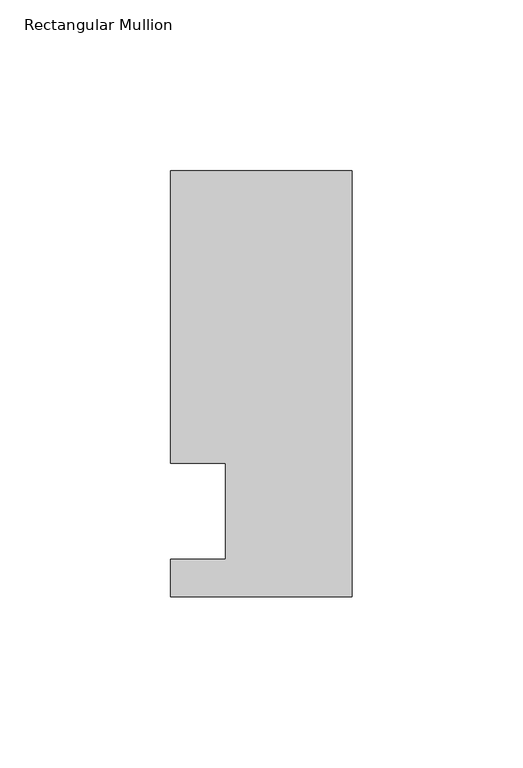
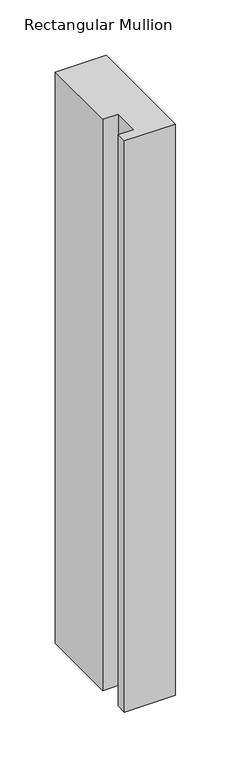
"""IFC4 building model written with IfcOpenShell, lengths in millimetres: member geometry, Rectangular Mullion."""

import ifcopenshell
import ifcopenshell.guid

model = None  # the IFC model being written
_history = None  # IfcOwnerHistory: only IFC2X3 demands one
_inside = {}  # id of a spatial element -> (the spatial element, [elements in it])
_under = {}  # id of a project, library or spatial element -> (it, [spatial elements below it])
_declared = {}  # id of a project -> (the project, [libraries it declares])
_typed = {}  # id of a type object -> (the type object, [elements of that type])
_made_of = {}  # id of a material, layer set ... -> (it, [elements and type objects made of it])


def new_model(schema):
    """Start an empty IFC model of exactly this schema.

    Asked for "IFC4X3", IfcOpenShell would pick the latest addendum, in which some entities
    have other attributes; the version numbers below select the first issue.
    IFC2X3 requires an IfcOwnerHistory on every rooted entity: one is made here for all.
    """
    global model, _history
    if schema == "IFC4X3":
        model = ifcopenshell.file(schema_version=(4, 3, 0, 0))
    else:
        model = ifcopenshell.file(schema=schema)
    _inside.clear()
    _under.clear()
    _declared.clear()
    _typed.clear()
    _made_of.clear()
    _history = None
    if model.schema == "IFC2X3":
        org = make("IfcOrganization", Name="unknown")
        user = make(
            "IfcPersonAndOrganization",
            ThePerson=make("IfcPerson", FamilyName="unknown"),
            TheOrganization=org,
        )
        app = make(
            "IfcApplication",
            ApplicationDeveloper=org,
            Version="unknown",
            ApplicationFullName="unknown",
            ApplicationIdentifier="unknown",
        )
        _history = make(
            "IfcOwnerHistory",
            OwningUser=user,
            OwningApplication=app,
            ChangeAction="ADDED",
            CreationDate=0,
        )
    return model


def make(cls, **values):
    """One entity of the class cls with the attributes given. An attribute that is None is left unset."""
    return model.create_entity(
        cls, **{name: value for name, value in values.items() if value is not None}
    )


def rooted(cls, **values):
    """An entity with a GlobalId (a new one), such as an element, a storey or a relation."""
    return make(cls, GlobalId=ifcopenshell.guid.new(), OwnerHistory=_history, **values)


def si_unit(unit_type, name, prefix=None):
    """IfcSIUnit, for example si_unit("LENGTHUNIT", "METRE", prefix="MILLI")."""
    return make("IfcSIUnit", UnitType=unit_type, Prefix=prefix, Name=name)


def assignment(units):
    """IfcUnitAssignment: the units of a project."""
    return None if units is None else make("IfcUnitAssignment", Units=units)


def point(xyz):
    """IfcCartesianPoint."""
    return None if xyz is None else make("IfcCartesianPoint", Coordinates=xyz)


def direction(xyz):
    """IfcDirection."""
    return None if xyz is None else make("IfcDirection", DirectionRatios=xyz)


def frame(location, z_axis=None, x_axis=None):
    """IfcAxis2Placement3D, a coordinate frame: its origin and axes. An axis left out is left unset."""
    return make(
        "IfcAxis2Placement3D",
        Location=point(location),
        Axis=direction(z_axis),
        RefDirection=direction(x_axis),
    )


def origin():
    """The frame at (0, 0, 0) with its axes left unset."""
    return frame((0.0, 0.0, 0.0))


def place(relative_to, where):
    """IfcLocalPlacement: puts the frame where relative to a parent placement (None: the world)."""
    return make(
        "IfcLocalPlacement", PlacementRelTo=relative_to, RelativePlacement=where
    )


def context(
    kind, dimensions, precision=None, world=None, true_north=None, identifier=None
):
    """IfcGeometricRepresentationContext, for example the 3D "Model" context."""
    return make(
        "IfcGeometricRepresentationContext",
        ContextIdentifier=identifier,
        ContextType=kind,
        CoordinateSpaceDimension=dimensions,
        Precision=precision,
        WorldCoordinateSystem=world,
        TrueNorth=true_north,
    )


def project(units=None, contexts=None):
    """IfcProject with its units and contexts."""
    return rooted(
        "IfcProject",
        Name="project",
        RepresentationContexts=contexts,
        UnitsInContext=assignment(units),
    )


def spatial(cls, under=None, at=None, **own):
    """A site, building, storey or space (cls), placed at a placement, below another one or the project."""
    s = rooted(cls, ObjectPlacement=at, **own)
    if under is not None:
        _under.setdefault(under.id(), (under, []))[1].append(s)
    return s


def polyline(points):
    """IfcPolyline through the points."""
    return make("IfcPolyline", Points=[point(p) for p in points])


def outline(outer, holes=None, kind="AREA"):
    """IfcArbitraryClosedProfileDef: a profile drawn as a closed curve; with holes, ...WithVoids."""
    if holes is None:
        return make("IfcArbitraryClosedProfileDef", ProfileType=kind, OuterCurve=outer)
    return make(
        "IfcArbitraryProfileDefWithVoids",
        ProfileType=kind,
        OuterCurve=outer,
        InnerCurves=holes,
    )


def extrude(swept, where, along, depth):
    """IfcExtrudedAreaSolid: the profile swept, set in the frame where, extruded along a direction by depth."""
    return make(
        "IfcExtrudedAreaSolid",
        SweptArea=swept,
        Position=where,
        ExtrudedDirection=direction(along),
        Depth=depth,
    )


def shape(context_of_items, identifier, shape_type, items):
    """IfcShapeRepresentation: the items that make up one representation, for example the "Body"."""
    return make(
        "IfcShapeRepresentation",
        ContextOfItems=context_of_items,
        RepresentationIdentifier=identifier,
        RepresentationType=shape_type,
        Items=items,
    )


def source(mapping_origin, context_of_items, identifier, shape_type, items):
    """IfcRepresentationMap: a shape defined once, which mapped items show again and again."""
    return make(
        "IfcRepresentationMap",
        MappingOrigin=mapping_origin,
        MappedRepresentation=shape(context_of_items, identifier, shape_type, items),
    )


def transform(
    local_origin,
    x_axis=None,
    y_axis=None,
    z_axis=None,
    scale=None,
    scale2=None,
    scale3=None,
    uniform=True,
):
    """IfcCartesianTransformationOperator3D, or its non-uniform kind. x_axis, y_axis, z_axis: its Axis1, 2, 3."""
    if uniform:
        return make(
            "IfcCartesianTransformationOperator3D",
            Axis1=direction(x_axis),
            Axis2=direction(y_axis),
            LocalOrigin=point(local_origin),
            Scale=scale,
            Axis3=direction(z_axis),
        )
    return make(
        "IfcCartesianTransformationOperator3DnonUniform",
        Axis1=direction(x_axis),
        Axis2=direction(y_axis),
        LocalOrigin=point(local_origin),
        Scale=scale,
        Axis3=direction(z_axis),
        Scale2=scale2,
        Scale3=scale3,
    )


def mapped(mapping_source, mapping_target):
    """IfcMappedItem: shows the shape of a source again, moved by a transform."""
    return make(
        "IfcMappedItem", MappingSource=mapping_source, MappingTarget=mapping_target
    )


def made_of(thing, what):
    """Note that an element or type object is made of a material, layer set ...; save() writes the relation."""
    if what is not None:
        _made_of.setdefault(what.id(), (what, []))[1].append(thing)
    return thing


def element(
    cls,
    number,
    at=None,
    inside=None,
    cuts=None,
    type_object=None,
    material=None,
    context=None,
    identifier="Body",
    shape_type=None,
    held_by="IfcProductDefinitionShape",
    body=None,
    shapes=None,
    **own,
):
    """One element of the class cls, such as IfcWall. Its Tag is "e" and its number.

    at: its placement. inside: the storey or other place that contains it. cuts: it is an
    opening in that element (IfcRelVoidsElement). A single representation is given by context,
    identifier, shape_type and body (its items); several are given by shapes. held_by: the class
    of the entity that holds the representations. save() writes the other relations.
    """
    e = rooted(cls, Tag="e%d" % number, ObjectPlacement=at, **own)
    if body is not None:
        shapes = [shape(context, identifier, shape_type, body)]
    if shapes is not None:
        e.Representation = make(held_by, Representations=shapes)
    if inside is not None:
        _inside.setdefault(inside.id(), (inside, []))[1].append(e)
    if cuts is not None:
        rooted(
            "IfcRelVoidsElement", RelatingBuildingElement=cuts, RelatedOpeningElement=e
        )
    if type_object is not None:
        _typed.setdefault(type_object.id(), (type_object, []))[1].append(e)
    return made_of(e, material)


def aggregate(whole, parts):
    """IfcRelAggregates: a whole, such as a stair, and the parts it consists of."""
    return rooted("IfcRelAggregates", RelatingObject=whole, RelatedObjects=parts)


def save(model, path):
    """Write the relations noted so far, then the file.

    IfcRelAggregates (storeys below a building ...), IfcRelContainedInSpatialStructure (elements
    in a storey), IfcRelDefinesByType, IfcRelAssociatesMaterial and IfcRelDeclares: one each for
    every whole, place, type object, material and project.
    """
    for whole, parts in _under.values():
        aggregate(whole, parts)
    for where, things in _inside.values():
        rooted(
            "IfcRelContainedInSpatialStructure",
            RelatedElements=things,
            RelatingStructure=where,
        )
    for kind, things in _typed.values():
        rooted("IfcRelDefinesByType", RelatedObjects=things, RelatingType=kind)
    for what, things in _made_of.values():
        rooted("IfcRelAssociatesMaterial", RelatedObjects=things, RelatingMaterial=what)
    for by, libraries in _declared.values():
        rooted("IfcRelDeclares", RelatingContext=by, RelatedDefinitions=libraries)
    model.write(path)


def rectangular_mullion_e5ad4bcc(model_context):
    return source(origin(), model_context, "Body", "SweptSolid", [
        extrude(outline(polyline([(0.0, -25.0), (-53.0, -25.0), (-53.0, -14.0), (-37.0, -14.0), (-37.0, 14.0), (-53.0, 14.0), (-53.0, 99.5), (0.0, 99.5), (0.0, -25.0)])), frame((0.0, 0.0, -629.2487586), z_axis=(0.0, 0.0, 1.0), x_axis=(1.0, 0.0, 0.0)), (0.0, 0.0, 1.0), 629.2487586),
    ])


if __name__ == "__main__":
    model = new_model("IFC4")
    model_context = context("Model", 3, world=origin())
    ifc_project = project(units=[si_unit("LENGTHUNIT", "METRE", prefix="MILLI")], contexts=[model_context])
    site = spatial("IfcSite", under=ifc_project)
    building = spatial("IfcBuilding", under=site)
    placement = place(None, origin())
    rectangular_mullion_shape = rectangular_mullion_e5ad4bcc(model_context)
    element("IfcMember", 1, ObjectType="Rectangular Mullion", at=placement, inside=building, context=model_context, shape_type="MappedRepresentation", body=[
        mapped(rectangular_mullion_shape, transform((0.0, 0.0, 0.0), x_axis=(1.0, 0.0, 0.0), y_axis=(0.0, 1.0, 0.0), z_axis=(0.0, 0.0, 1.0))),
    ])
    save(model, "model.ifc")
